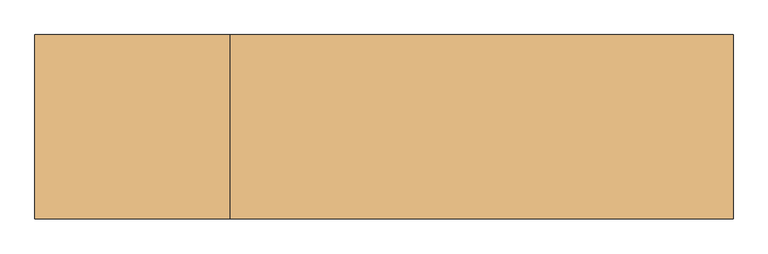
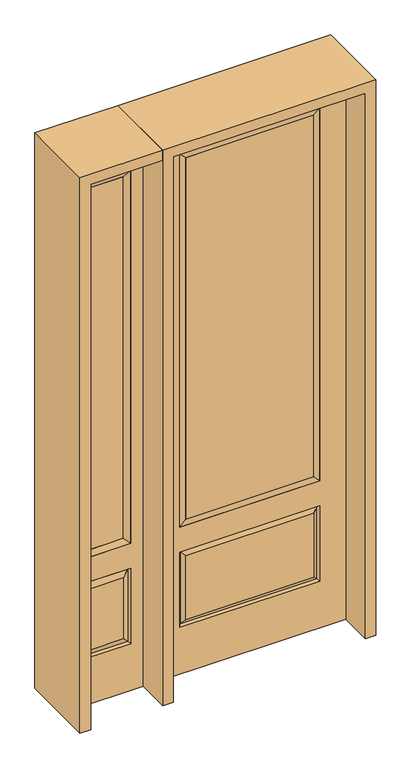
"""IFC4 building model written with IfcOpenShell, lengths in millimetres: door geometry."""

from ifc_helpers import new_model, si_unit, frame, origin, place, context, project, spatial, polyline, outline, extrude, faceted_brep, source, transform, mapped, element, save


def door_9959b0db(model_context):
    return source(origin(), model_context, "Body", "SolidModel", [
        faceted_brep([(-755.65, -22.225, 0.0), (-450.85, -22.225, 0.0), (-450.85, -22.225, 2438.4), (-755.65, -22.225, 2438.4), (-502.92, -22.225, 2325.624), (-502.92, -22.225, 657.098), (-703.58, -22.225, 657.098), (-703.58, -22.225, 2325.624), (-502.92, -22.225, 209.55), (-703.58, -22.225, 209.55), (-703.58, -22.225, 546.1), (-502.92, -22.225, 546.1), (-671.8648999, -22.225, 241.2651001), (-534.6351001, -22.225, 241.2651001), (-534.6351001, -22.225, 514.3848999), (-671.8648999, -22.225, 514.3848999), (-755.65, 22.225, 0.0), (-755.65, 22.225, 2438.4), (-450.85, 22.225, 2438.4), (-450.85, 22.225, 0.0), (-502.92, 22.225, 2325.624), (-703.58, 22.225, 2325.624), (-703.58, 22.225, 657.098), (-502.92, 22.225, 657.098), (-703.58, 22.225, 209.55), (-502.92, 22.225, 209.55), (-502.92, 22.225, 546.1), (-703.58, 22.225, 546.1), (-534.6351001, 22.225, 241.2651001), (-671.8648999, 22.225, 241.2651001), (-671.8648999, 22.225, 514.3848999), (-534.6351001, 22.225, 514.3848999), (-510.0288501, 12.7912373, 216.6588501), (-696.4711499, 12.7912373, 216.6588501), (-696.4711499, 12.7912373, 538.9911499), (-510.0288501, 12.7912373, 538.9911499), (-696.4711499, -12.7912373, 216.6588501), (-510.0288501, -12.7912373, 216.6588501), (-696.4711499, -12.7912373, 538.9911499), (-510.0288501, -12.7912373, 538.9911499)], [[[0, 1, 2, 3], [4, 5, 6, 7], [8, 9, 10, 11]], [[12, 13, 14, 15]], [[16, 17, 18, 19], [20, 21, 22, 23], [24, 25, 26, 27]], [[28, 29, 30, 31]], [[1, 0, 16, 19]], [[2, 1, 19, 18]], [[3, 2, 18, 17]], [[0, 3, 17, 16]], [[5, 4, 20, 23]], [[6, 5, 23, 22]], [[7, 6, 22, 21]], [[4, 7, 21, 20]], [[32, 33, 29, 28]], [[33, 32, 25, 24]], [[29, 33, 34, 30]], [[33, 24, 27, 34]], [[30, 34, 35, 31]], [[34, 27, 26, 35]], [[32, 28, 31, 35]], [[25, 32, 35, 26]], [[12, 36, 37, 13]], [[37, 36, 9, 8]], [[36, 12, 15, 38]], [[9, 36, 38, 10]], [[38, 15, 14, 39]], [[10, 38, 39, 11]], [[13, 37, 39, 14]], [[37, 8, 11, 39]]]),
        faceted_brep([(-703.58, 22.225, 2325.624), (-703.58, -22.225, 2325.624), (-502.92, -22.225, 2325.624), (-502.92, 22.225, 2325.624), (-678.18, 12.7, 2300.224), (-528.32, 12.7, 2300.224), (-678.18, -12.7, 2300.224), (-528.32, -12.7, 2300.224), (-502.92, -22.225, 657.098), (-502.92, 22.225, 657.098), (-528.32, 12.7, 682.498), (-528.32, -12.7, 682.498), (-703.58, -22.225, 657.098), (-703.58, 22.225, 657.098), (-678.18, 12.7, 682.498), (-678.18, -12.7, 682.498)], [[[0, 1, 2, 3]], [[4, 0, 3, 5]], [[6, 4, 5, 7]], [[1, 6, 7, 2]], [[3, 2, 8, 9]], [[5, 3, 9, 10]], [[7, 5, 10, 11]], [[2, 7, 11, 8]], [[9, 8, 12, 13]], [[10, 9, 13, 14]], [[11, 10, 14, 15]], [[8, 11, 15, 12]], [[13, 12, 1, 0]], [[14, 13, 0, 4]], [[15, 14, 4, 6]], [[12, 15, 6, 1]]]),
        extrude(outline(polyline([(-528.32, -12.7), (-678.18, -12.7), (-678.18, 12.7), (-528.32, 12.7), (-528.32, -12.7)])), frame((0.0, 0.0, 682.498), z_axis=(0.0, 0.0, 1.0), x_axis=(1.0, 0.0, 0.0)), (0.0, 0.0, 1.0), 1617.726),
        extrude(outline(polyline([(269.875, -20.32), (-269.875, -20.32), (-269.875, 5.08), (269.875, 5.08), (269.875, -20.32)])), frame((0.0, 0.0, 682.498), z_axis=(0.0, 0.0, 1.0), x_axis=(1.0, 0.0, 0.0)), (0.0, 0.0, 1.0), 1616.202),
        faceted_brep([(-288.1661499, -12.7912373, 216.6588501), (288.1661499, -12.7912373, 216.6588501), (270.66875, -22.225, 234.15625), (-270.66875, -22.225, 234.15625), (-295.275, -22.225, 209.55), (295.275, -22.225, 209.55), (-288.1661499, -12.7912373, 538.9911499), (-295.275, -22.225, 546.1), (270.66875, -22.225, 521.49375), (-270.66875, -22.225, 521.49375), (406.4, -22.225, 2438.4), (-406.4, -22.225, 2438.4), (-406.4, -22.225, 0.0), (406.4, -22.225, 0.0), (295.275, -22.225, 546.1), (295.275, -22.225, 2324.1), (295.275, -22.225, 657.098), (-295.275, -22.225, 657.098), (-295.275, -22.225, 2324.1), (288.1661499, -12.7912373, 538.9911499), (-406.4, 22.225, 2438.4), (-406.4, 22.225, 0.0), (406.4, 22.225, 0.0), (406.4, 22.225, 2438.4), (295.275, 22.225, 2324.1), (295.275, 22.225, 657.098), (-295.275, 22.225, 657.098), (-295.275, 22.225, 2324.1), (-295.275, 22.225, 209.55), (295.275, 22.225, 209.55), (295.275, 22.225, 546.1), (-295.275, 22.225, 546.1), (270.66875, 22.225, 234.15625), (-270.66875, 22.225, 234.15625), (-270.66875, 22.225, 521.49375), (270.66875, 22.225, 521.49375), (-288.1661499, 12.7912373, 216.6588501), (288.1661499, 12.7912373, 216.6588501), (288.1661499, 12.7912373, 538.9911499), (-288.1661499, 12.7912373, 538.9911499)], [[[0, 1, 2, 3]], [[1, 0, 4, 5]], [[4, 0, 6, 7]], [[3, 2, 8, 9]], [[10, 11, 12, 13], [5, 4, 7, 14], [15, 16, 17, 18]], [[1, 5, 14, 19]], [[2, 1, 19, 8]], [[0, 3, 9, 6]], [[7, 6, 19, 14]], [[6, 9, 8, 19]], [[12, 11, 20, 21]], [[13, 12, 21, 22]], [[10, 13, 22, 23]], [[16, 15, 24, 25]], [[17, 16, 25, 26]], [[18, 17, 26, 27]], [[23, 22, 21, 20], [28, 29, 30, 31], [24, 27, 26, 25]], [[32, 33, 34, 35]], [[28, 36, 37, 29]], [[29, 37, 38, 30]], [[39, 31, 30, 38]], [[36, 28, 31, 39]], [[37, 36, 33, 32]], [[33, 36, 39, 34]], [[34, 39, 38, 35]], [[37, 32, 35, 38]], [[11, 10, 23, 20]], [[15, 18, 27, 24]]]),
        faceted_brep([(-295.275, -22.225, 2324.1), (-295.275, 22.225, 2324.1), (-295.275, 22.225, 657.098), (-295.275, -22.225, 657.098), (295.275, 22.225, 657.098), (295.275, -22.225, 657.098), (-269.875, 5.08, 682.498), (269.875, 5.08, 682.498), (295.275, 22.225, 2324.1), (295.275, -22.225, 2324.1), (-269.875, -20.32, 682.498), (269.875, -20.32, 682.498), (-269.875, -20.32, 2298.7), (269.875, -20.32, 2298.7), (-269.875, 5.08, 2298.7), (269.875, 5.08, 2298.7)], [[[0, 1, 2, 3]], [[3, 2, 4, 5]], [[2, 6, 7, 4]], [[5, 4, 8, 9]], [[10, 3, 5, 11]], [[12, 0, 3, 10]], [[11, 5, 9, 13]], [[6, 10, 11, 7]], [[14, 12, 10, 6]], [[7, 11, 13, 15]], [[1, 14, 6, 2]], [[4, 7, 15, 8]], [[9, 8, 1, 0]], [[13, 9, 0, 12]], [[15, 13, 12, 14]], [[8, 15, 14, 1]]]),
        extrude(outline(polyline([(2438.4, -450.85), (2482.85, -450.85), (2482.85, -800.1), (0.0, -800.1), (0.0, -755.65), (2438.4, -755.65), (2438.4, -450.85)])), frame((0.0, -165.1, 0.0), z_axis=(0.0, 1.0, 0.0), x_axis=(0.0, 0.0, 1.0)), (0.0, 0.0, 1.0), 330.2),
        extrude(outline(polyline([(2482.85, -450.85), (0.0, -450.85), (0.0, -406.4), (2438.4, -406.4), (2438.4, 406.4), (0.0, 406.4), (0.0, 450.85), (2482.85, 450.85), (2482.85, -450.85)])), frame((0.0, -165.1, 0.0), z_axis=(0.0, 1.0, 0.0), x_axis=(0.0, 0.0, 1.0)), (0.0, 0.0, 1.0), 330.2),
    ])


if __name__ == "__main__":
    model = new_model("IFC4")
    model_context = context("Model", 3, world=origin())
    ifc_project = project(units=[si_unit("LENGTHUNIT", "METRE", prefix="MILLI")], contexts=[model_context])
    site = spatial("IfcSite", under=ifc_project)
    building = spatial("IfcBuilding", under=site)
    placement = place(None, origin())
    door_shape = door_9959b0db(model_context)
    element("IfcDoor", 1, at=placement, inside=building, context=model_context, shape_type="MappedRepresentation", body=[
        mapped(door_shape, transform((0.0, 0.0, 0.0), x_axis=(1.0, 0.0, 0.0), y_axis=(0.0, 1.0, 0.0), z_axis=(0.0, 0.0, 1.0))),
    ])
    save(model, "model.ifc")
